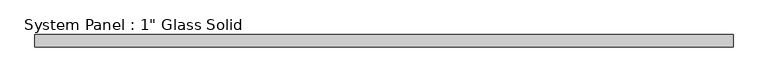
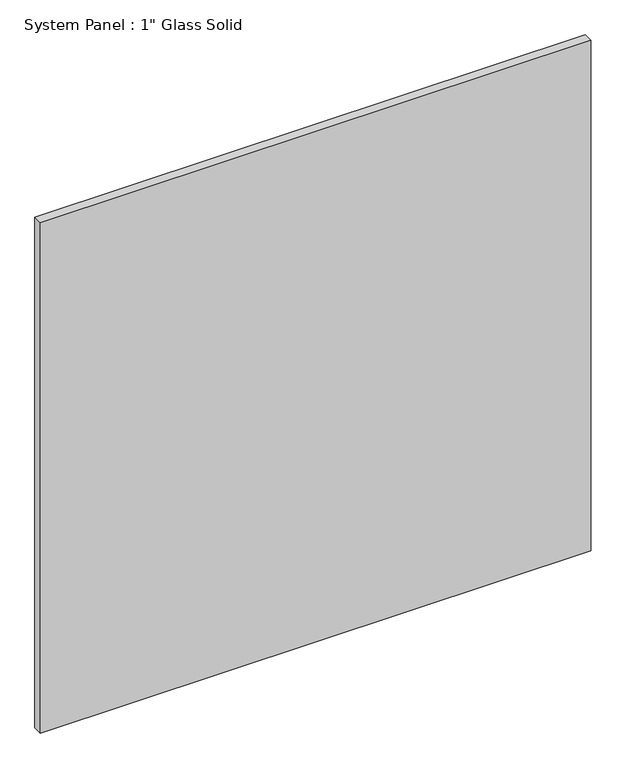
"""IFC4 building model written with IfcOpenShell, lengths in millimetres: plate geometry."""

from ifc_helpers import new_model, si_unit, origin, origin_with_axes, place, context, project, spatial, polyline, outline, extrude, source, transform, mapped, element, save


def plate_5cc4ec3b(model_context):
    return source(origin(), model_context, "Body", "SweptSolid", [
        extrude(outline(polyline([(725.5389199, -12.7), (-725.5389199, -12.7), (-725.5389199, 12.7), (725.5389199, 12.7), (725.5389199, -12.7)])), origin_with_axes(), (0.0, 0.0, 1.0), 1422.2911731),
    ])


if __name__ == "__main__":
    model = new_model("IFC4")
    model_context = context("Model", 3, world=origin())
    ifc_project = project(units=[si_unit("LENGTHUNIT", "METRE", prefix="MILLI")], contexts=[model_context])
    site = spatial("IfcSite", under=ifc_project)
    building = spatial("IfcBuilding", under=site)
    placement = place(None, origin())
    plate_shape = plate_5cc4ec3b(model_context)
    element("IfcPlate", 1, ObjectType="System Panel : 1\" Glass Solid", at=placement, inside=building, context=model_context, shape_type="MappedRepresentation", body=[
        mapped(plate_shape, transform((0.0, 0.0, 0.0), x_axis=(1.0, 0.0, 0.0), y_axis=(0.0, 1.0, 0.0), z_axis=(0.0, 0.0, 1.0))),
    ])
    save(model, "model.ifc")
